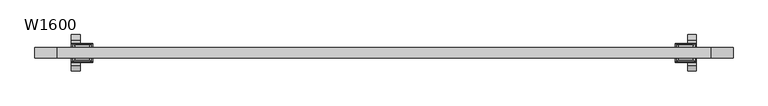
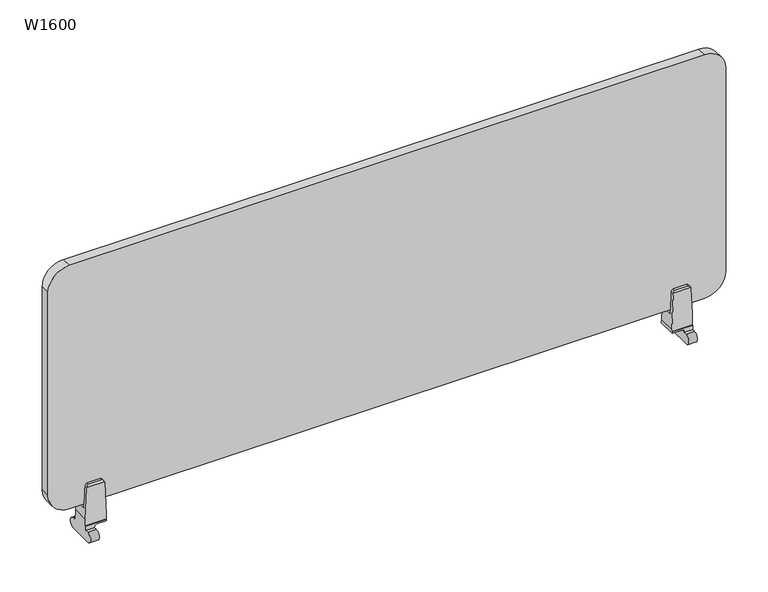
"""IFC4 building model written with IfcOpenShell, lengths in millimetres: furniture geometry, W1600."""

from ifc_helpers import new_model, si_unit, point, frame, frame_2d, origin, place, context, project, spatial, polyline, circle_curve, ellipse_curve, trimmed, segment, composite_curve, outline, extrude, source, transform, mapped, element, save
from ifc_brep_helpers import plane_surface, cylinder_surface, revolved_surface, advanced_brep


def w1600_2ce7a551(model_context):
    return source(origin(), model_context, "Body", "SolidModel", [
        advanced_brep(
        [(667.3062923, -20.12722, 508.6034914), (667.3062923, -20.12722, 513.0283084), (667.3062923, 20.12722, 513.0283084), (667.3062923, 20.12722, 508.6034914), (667.3062923, 21.734059, 508.6034914), (667.3062923, 21.734059, 505.317569), (667.3062923, -21.734059, 505.317569), (667.3062923, -21.734059, 508.6034914), (715.6062923, 20.12722, 508.6034914), (715.6062923, 20.12722, 537.7072826), (715.6062923, -20.12722, 537.7072826), (715.6062923, -20.12722, 508.6034914), (715.6062923, -21.734059, 508.6034914), (715.6062923, -21.734059, 497.7771987), (715.6062923, -29.3283848, 497.7771987), (715.6062923, -29.3283848, 473.429), (715.6062923, 29.3283848, 473.429), (715.6062923, 29.3283848, 497.7771987), (715.6062923, 21.734059, 497.7771987), (715.6062923, 21.734059, 508.6034914), (675.7948185, -17.493294, 607.4860165), (671.4549117, -20.12722, 602.923923), (712.3907552, -20.12722, 602.923923), (708.0534919, -17.493294, 607.4860165), (712.8620616, -20.12722, 600.5607025), (670.9814467, -20.12722, 600.5424845), (689.9626674, -21.734059, 505.317569), (695.9000284, -21.734059, 499.2756665), (695.9000284, -21.734059, 497.7771987), (695.9000284, -29.3283848, 497.7771987), (695.9000284, -29.3283848, 473.429), (695.9000284, 29.3283848, 473.429), (695.9000284, 29.3283848, 497.7771987), (695.9000284, 21.734059, 497.7771987), (695.9000284, 21.734059, 499.2756665), (689.9626674, 21.734059, 505.317569), (670.9814467, 20.12722, 600.5424845), (671.4549117, 20.12722, 602.923923), (712.3907552, 20.12722, 602.923923), (712.8620616, 20.12722, 600.5607025), (675.7948185, 17.493294, 607.4860165), (708.0534919, 17.493294, 607.4860165), (675.7948185, 11.6621458, 607.4860165), (708.0534919, 11.6621458, 607.4860165), (670.9814467, 11.6621458, 600.5424845), (668.7533424, 11.6621458, 547.4860165), (715.1793449, 11.6621458, 547.4860165), (712.8620616, 11.6621458, 600.5607025), (668.7533424, -11.6621458, 547.4860165), (715.1793449, -11.6621458, 547.4860165), (670.9814467, -11.6621458, 600.5424845), (675.7948185, -11.6621458, 607.4860165), (708.0534919, -11.6621458, 607.4860165), (712.8620616, -11.6621458, 600.5607025)],
        [
            (0, 1),
            (1, 2),
            (2, 3),
            (3, 4),
            (4, 5),
            (5, 6),
            (6, 7),
            (7, 0),
            (8, 9),
            (9, 10),
            (10, 11),
            (11, 12),
            (12, 13),
            (13, 14),
            (14, 15, circle_curve(frame((715.6062923, -29.3283848, 485.6030993), z_axis=(1.0, 0.0, 0.0), x_axis=(0.0, 1.0, 0.0)), 12.1740993)),
            (15, 16),
            (16, 17, circle_curve(frame((715.6062923, 29.3283848, 485.6030993), z_axis=(1.0, 0.0, 0.0), x_axis=(0.0, 1.0, 0.0)), 12.1740993)),
            (17, 18),
            (18, 19),
            (19, 8),
            (20, 21, ellipse_curve(frame((678.8744898, -21.6935173, 600.2110165), z_axis=(0.0, -0.8660254037844372, 0.5000000000000028), x_axis=(0.0, 0.5000000000000024, 0.8660254037844373)), 9.1221343, 7.9)),
            (21, 22),
            (22, 23, ellipse_curve(frame((704.9749018, -21.6904421, 600.2163428), z_axis=(0.0, -0.8660254037844372, 0.5000000000000028), x_axis=(0.0, 0.5000000000000024, 0.8660254037844373)), 9.115984, 7.8946737)),
            (23, 20),
            (10, 24),
            (24, 22, circle_curve(frame((704.9749018, -20.12722, 600.2163428), z_axis=(0.0, -1.0, 0.0), x_axis=(1.0, 0.0, 0.0)), 7.8946737)),
            (21, 25, circle_curve(frame((678.8744898, -20.12722, 600.2110165), z_axis=(0.0, -1.0, 0.0), x_axis=(1.0, 0.0, 0.0)), 7.9)),
            (25, 1),
            (0, 11),
            (7, 12),
            (6, 26),
            (26, 27, circle_curve(frame((689.8572056, -21.734059, 499.2756665), z_axis=(0.0, 1.0, 0.0), x_axis=(1.0, 0.0, 0.0)), 6.0428228)),
            (27, 28),
            (28, 13),
            (28, 29),
            (29, 14),
            (29, 30, circle_curve(frame((695.9000284, -29.3283848, 485.6030993), z_axis=(1.0, 0.0, 0.0), x_axis=(0.0, 1.0, 0.0)), 12.1740993)),
            (30, 15),
            (30, 31),
            (31, 16),
            (31, 32, circle_curve(frame((695.9000284, 29.3283848, 485.6030993), z_axis=(1.0, 0.0, 0.0), x_axis=(0.0, 1.0, 0.0)), 12.1740993)),
            (32, 17),
            (32, 33),
            (33, 18),
            (33, 34),
            (34, 35, circle_curve(frame((689.8572056, 21.734059, 499.2756665), z_axis=(0.0, -1.0, 0.0), x_axis=(1.0, 0.0, 0.0)), 6.0428228)),
            (35, 5),
            (4, 19),
            (3, 8),
            (2, 36),
            (36, 37, circle_curve(frame((678.8744898, 20.12722, 600.2110165), z_axis=(0.0, 1.0, 0.0), x_axis=(1.0, 0.0, 0.0)), 7.9)),
            (37, 38),
            (38, 39, circle_curve(frame((704.9749018, 20.12722, 600.2163428), z_axis=(0.0, 1.0, 0.0), x_axis=(1.0, 0.0, 0.0)), 7.8946737)),
            (39, 9),
            (37, 40, ellipse_curve(frame((678.8744898, 21.6935173, 600.2110165), z_axis=(0.0, 0.8660254037844385, 0.5000000000000006), x_axis=(0.0, 0.5000000000000001, -0.8660254037844385)), 9.1221343, 7.9)),
            (40, 41),
            (41, 38, ellipse_curve(frame((704.9749018, 21.6904421, 600.2163428), z_axis=(0.0, 0.8660254037844385, 0.5000000000000006), x_axis=(0.0, 0.5000000000000001, -0.8660254037844385)), 9.115984, 7.8946737)),
            (40, 42),
            (42, 43),
            (43, 41),
            (42, 44, circle_curve(frame((678.8744898, 11.6621458, 600.2110165), z_axis=(0.0, -1.0, 0.0), x_axis=(1.0, 0.0, 0.0)), 7.9)),
            (44, 45),
            (45, 46),
            (46, 47),
            (47, 43, circle_curve(frame((704.9749018, 11.6621458, 600.2163428), z_axis=(0.0, -1.0, 0.0), x_axis=(1.0, 0.0, 0.0)), 7.8946737)),
            (45, 48),
            (48, 49),
            (49, 46),
            (48, 50),
            (50, 51, circle_curve(frame((678.8744898, -11.6621458, 600.2110165), z_axis=(0.0, 1.0, 0.0), x_axis=(1.0, 0.0, 0.0)), 7.9)),
            (51, 52),
            (52, 53, circle_curve(frame((704.9749018, -11.6621458, 600.2163428), z_axis=(0.0, 1.0, 0.0), x_axis=(1.0, 0.0, 0.0)), 7.8946737)),
            (53, 49),
            (23, 52),
            (51, 20),
            (34, 27),
            (26, 35),
            (25, 50),
            (44, 36),
            (47, 39),
            (24, 53),
        ],
        [
            plane_surface(frame((667.3062923, -17.493294, 607.4860165), z_axis=(-1.0000000000000002, 0.0, 0.0), x_axis=(0.0, -0.5000000000000028, -0.8660254037844372))),
            plane_surface(frame((715.6062923, -17.493294, 607.4860165), z_axis=(1.0000000000000002, 0.0, 0.0), x_axis=(0.0, 0.5000000000000028, 0.8660254037844372))),
            plane_surface(frame((667.3062923, -17.493294, 607.4860165), z_axis=(0.0, -0.8660254037844372, 0.5000000000000028), x_axis=(1.0, 0.0, 0.0))),
            plane_surface(frame((667.3062923, -20.12722, 602.923923), z_axis=(0.0, -1.0, 0.0), x_axis=(1.0, 0.0, 0.0))),
            plane_surface(frame((667.3062923, -20.12722, 508.6034914), z_axis=(0.0, 0.0, 1.0), x_axis=(1.0, 0.0, 0.0))),
            plane_surface(frame((667.3062923, -21.734059, 508.6034914), z_axis=(0.0, -1.0, 0.0), x_axis=(1.0, 0.0, 0.0))),
            plane_surface(frame((667.3062923, -21.734059, 497.7771987), z_axis=(0.0, 0.0, 1.0), x_axis=(1.0, 0.0, 0.0))),
            cylinder_surface(frame((715.6062923, -29.3283848, 485.6030993), z_axis=(-1.0, 0.0, 0.0), x_axis=(0.0, 1.0, 0.0)), 12.1740993),
            plane_surface(frame((667.3062923, -29.3283848, 473.429), z_axis=(0.0, 0.0, -1.0), x_axis=(1.0, 0.0, 0.0))),
            cylinder_surface(frame((715.6062923, 29.3283848, 485.6030993), z_axis=(-1.0, 0.0, 0.0), x_axis=(0.0, 1.0, 0.0)), 12.1740993),
            plane_surface(frame((667.3062923, 29.3283848, 497.7771987), z_axis=(0.0, 0.0, 1.0), x_axis=(1.0, 0.0, 0.0))),
            plane_surface(frame((667.3062923, 21.734059, 497.7771987), z_axis=(0.0, 1.0, 0.0), x_axis=(1.0, 0.0, 0.0))),
            plane_surface(frame((667.3062923, 21.734059, 508.6034914), z_axis=(0.0, 0.0, 1.0), x_axis=(1.0, 0.0, 0.0))),
            plane_surface(frame((667.3062923, 20.12722, 508.6034914), z_axis=(0.0, 1.0, 0.0), x_axis=(1.0, 0.0, 0.0))),
            plane_surface(frame((667.3062923, 20.12722, 602.923923), z_axis=(0.0, 0.8660254037844385, 0.5000000000000006), x_axis=(1.0, 0.0, 0.0))),
            plane_surface(frame((667.3062923, 17.493294, 607.4860165), z_axis=(0.0, 0.0, 1.0), x_axis=(1.0, 0.0, 0.0))),
            plane_surface(frame((667.3062923, 11.6621458, 607.4860165), z_axis=(0.0, -1.0, 0.0), x_axis=(1.0, 0.0, 0.0))),
            plane_surface(frame((667.3062923, 11.6621458, 547.4860165), z_axis=(0.0, 0.0, 1.0), x_axis=(1.0, 0.0, 0.0))),
            plane_surface(frame((667.3062923, -11.6621458, 547.4860165), z_axis=(0.0, 1.0, 0.0), x_axis=(1.0, 0.0, 0.0))),
            plane_surface(frame((667.3062923, -11.6621458, 607.4860165), z_axis=(0.0, 0.0, 1.0), x_axis=(1.0, 0.0, 0.0))),
            revolved_surface(polyline([(695.9000284, -21.734058999999988, 499.2756665), (695.9000284, 21.734059000000002, 499.2756665)]), (689.8572056, 113.2680769, 499.2756665), (0.0, -1.0, 0.0)),
            plane_surface(frame((666.9824801, -250.0, 505.317569), z_axis=(0.0, 0.0, -1.0), x_axis=(0.0, 1.0, 0.0))),
            plane_surface(frame((670.9814467, -250.0, 600.5424845), z_axis=(-0.9991193762450609, 0.0, 0.041957979118166115), x_axis=(0.0, 1.0, 0.0))),
            cylinder_surface(frame((678.8744898, 113.2680769, 600.2110165), z_axis=(0.0, 1.0, 0.0), x_axis=(1.0, 0.0, 0.0)), 7.9),
            cylinder_surface(frame((704.9749018, 113.2680769, 600.2163428), z_axis=(0.0, 1.0, 0.0), x_axis=(1.0, 0.0, 0.0)), 7.8946737),
            plane_surface(frame((718.5147114, -250.0, 471.0933202), z_axis=(0.9990482276909858, 0.0, 0.04361924744307622), x_axis=(0.0, 1.0, 0.0))),
            plane_surface(frame((695.9000284, -250.0, 499.2756665), z_axis=(-1.0, 0.0, 0.0), x_axis=(0.0, 1.0, 0.0))),
        ],
        [
            (0, [[1, 2, 3, 4, 5, 6, 7, 8]]),
            (1, [[9, 10, 11, 12, 13, 14, 15, 16, 17, 18, 19, 20]]),
            (2, [[21, 22, 23, 24]]),
            (3, [[-11, 25, 26, -22, 27, 28, -1, 29]]),
            (4, [[30, -12, -29, -8]]),
            (5, [[-30, -7, 31, 32, 33, 34, -13]]),
            (6, [[-34, 35, 36, -14]]),
            (7, [[-36, 37, 38, -15]]),
            (8, [[-38, 39, 40, -16]]),
            (9, [[-40, 41, 42, -17]]),
            (10, [[-42, 43, 44, -18]]),
            (11, [[-44, 45, 46, 47, -5, 48, -19]]),
            (12, [[49, -20, -48, -4]]),
            (13, [[-3, 50, 51, 52, 53, 54, -9, -49]]),
            (14, [[55, 56, 57, -52]]),
            (15, [[58, 59, 60, -56]]),
            (16, [[61, 62, 63, 64, 65, -59]]),
            (17, [[66, 67, 68, -63]]),
            (18, [[69, 70, 71, 72, 73, -67]]),
            (19, [[74, -71, 75, -24]]),
            (20, [[-46, 76, -32, 77]]),
            (21, [[-31, -6, -47, -77]]),
            (22, [[-50, -2, -28, 78, -69, -66, -62, 79]]),
            (23, [[-27, -21, -75, -70, -78]]),
            (23, [[-61, -58, -55, -51, -79]]),
            (24, [[-53, -57, -60, -65, 80]]),
            (24, [[-72, -74, -23, -26, 81]]),
            (25, [[-64, -68, -73, -81, -25, -10, -54, -80]]),
            (26, [[-45, -43, -41, -39, -37, -35, -33, -76]]),
        ],
    ),
        advanced_brep(
        [(-716.2164625, -20.12722, 508.6034914), (-716.2164625, -20.12722, 523.7321492), (-716.2164625, 20.12722, 523.7321492), (-716.2164625, 20.12722, 508.6034914), (-716.2164625, 21.734059, 508.6034914), (-716.2164625, 21.734059, 497.7771987), (-716.2164625, 29.3283848, 497.7771987), (-716.2164625, 29.3283848, 473.429), (-716.2164625, -29.3283848, 473.429), (-716.2164625, -29.3283848, 497.7771987), (-716.2164625, -21.734059, 497.7771987), (-716.2164625, -21.734059, 508.6034914), (-667.6238597, 20.12722, 508.6034914), (-667.6238597, 20.12722, 520.5902324), (-667.6238597, -20.12722, 520.5902324), (-667.6238597, -20.12722, 508.6034914), (-667.6238597, -21.734059, 508.6034914), (-667.6238597, -21.734059, 505.317569), (-667.6238597, 21.734059, 505.317569), (-667.6238597, 21.734059, 508.6034914), (-708.0534965, -17.493294, 607.4860165), (-712.3907599, -20.12722, 602.923923), (-671.4549164, -20.12722, 602.923923), (-675.7948232, -17.493294, 607.4860165), (-670.9814514, -20.12722, 600.5424845), (-712.8620662, -20.12722, 600.5607025), (-695.9000331, -21.734059, 497.7771987), (-695.9000331, -21.734059, 499.2756665), (-689.9626721, -21.734059, 505.317569), (-695.9000331, -29.3283848, 497.7771987), (-695.9000331, -29.3283848, 473.429), (-695.9000331, 29.3283848, 473.429), (-695.9000331, 29.3283848, 497.7771987), (-695.9000331, 21.734059, 497.7771987), (-689.9626721, 21.734059, 505.317569), (-695.9000331, 21.734059, 499.2756665), (-712.8620662, 20.12722, 600.5607025), (-712.3907599, 20.12722, 602.923923), (-671.4549164, 20.12722, 602.923923), (-670.9814514, 20.12722, 600.5424845), (-708.0534965, 17.493294, 607.4860165), (-675.7948232, 17.493294, 607.4860165), (-708.0534965, 11.6621458, 607.4860165), (-675.7948232, 11.6621458, 607.4860165), (-712.8620662, 11.6621458, 600.5607025), (-715.1793496, 11.6621458, 547.4860165), (-668.7533471, 11.6621458, 547.4860165), (-670.9814514, 11.6621458, 600.5424845), (-715.1793496, -11.6621458, 547.4860165), (-668.7533471, -11.6621458, 547.4860165), (-712.8620662, -11.6621458, 600.5607025), (-708.0534965, -11.6621458, 607.4860165), (-675.7948232, -11.6621458, 607.4860165), (-670.9814514, -11.6621458, 600.5424845)],
        [
            (0, 1),
            (1, 2),
            (2, 3),
            (3, 4),
            (4, 5),
            (5, 6),
            (6, 7, circle_curve(frame((-716.2164625, 29.3283848, 485.6030993), z_axis=(-1.0, 0.0, 0.0), x_axis=(0.0, 1.0, 0.0)), 12.1740993)),
            (7, 8),
            (8, 9, circle_curve(frame((-716.2164625, -29.3283848, 485.6030993), z_axis=(-1.0, 0.0, 0.0), x_axis=(0.0, 1.0, 0.0)), 12.1740993)),
            (9, 10),
            (10, 11),
            (11, 0),
            (12, 13),
            (13, 14),
            (14, 15),
            (15, 16),
            (16, 17),
            (17, 18),
            (18, 19),
            (19, 12),
            (20, 21, ellipse_curve(frame((-704.9749064, -21.6904421, 600.2163428), z_axis=(0.0, -0.8660254037844372, 0.5000000000000028), x_axis=(0.0, 0.5000000000000024, 0.8660254037844373)), 9.115984, 7.8946737)),
            (21, 22),
            (22, 23, ellipse_curve(frame((-678.8744945, -21.6935173, 600.2110165), z_axis=(0.0, -0.8660254037844372, 0.5000000000000028), x_axis=(0.0, 0.5000000000000024, 0.8660254037844373)), 9.1221343, 7.9)),
            (23, 20),
            (14, 24),
            (24, 22, circle_curve(frame((-678.8744945, -20.12722, 600.2110165), z_axis=(0.0, -1.0, 0.0), x_axis=(-1.0, 0.0, 0.0)), 7.9)),
            (21, 25, circle_curve(frame((-704.9749064, -20.12722, 600.2163428), z_axis=(0.0, -1.0, 0.0), x_axis=(-1.0, 0.0, 0.0)), 7.8946737)),
            (25, 1),
            (0, 15),
            (11, 16),
            (10, 26),
            (26, 27),
            (27, 28, circle_curve(frame((-689.8572103, -21.734059, 499.2756665), z_axis=(0.0, 1.0, 0.0), x_axis=(-1.0, 0.0, 0.0)), 6.0428228)),
            (28, 17),
            (9, 29),
            (29, 26),
            (8, 30),
            (30, 29, circle_curve(frame((-695.9000331, -29.3283848, 485.6030993), z_axis=(-1.0, 0.0, 0.0), x_axis=(0.0, 1.0, 0.0)), 12.1740993)),
            (7, 31),
            (31, 30),
            (6, 32),
            (32, 31, circle_curve(frame((-695.9000331, 29.3283848, 485.6030993), z_axis=(-1.0, 0.0, 0.0), x_axis=(0.0, 1.0, 0.0)), 12.1740993)),
            (5, 33),
            (33, 32),
            (4, 19),
            (18, 34),
            (34, 35, circle_curve(frame((-689.8572103, 21.734059, 499.2756665), z_axis=(0.0, -1.0, 0.0), x_axis=(-1.0, 0.0, 0.0)), 6.0428228)),
            (35, 33),
            (3, 12),
            (2, 36),
            (36, 37, circle_curve(frame((-704.9749064, 20.12722, 600.2163428), z_axis=(0.0, 1.0, 0.0), x_axis=(-1.0, 0.0, 0.0)), 7.8946737)),
            (37, 38),
            (38, 39, circle_curve(frame((-678.8744945, 20.12722, 600.2110165), z_axis=(0.0, 1.0, 0.0), x_axis=(-1.0, 0.0, 0.0)), 7.9)),
            (39, 13),
            (37, 40, ellipse_curve(frame((-704.9749064, 21.6904421, 600.2163428), z_axis=(0.0, 0.8660254037844385, 0.5000000000000006), x_axis=(0.0, 0.5000000000000001, -0.8660254037844385)), 9.115984, 7.8946737)),
            (40, 41),
            (41, 38, ellipse_curve(frame((-678.8744945, 21.6935173, 600.2110165), z_axis=(0.0, 0.8660254037844385, 0.5000000000000006), x_axis=(0.0, 0.5000000000000001, -0.8660254037844385)), 9.1221343, 7.9)),
            (40, 42),
            (42, 43),
            (43, 41),
            (42, 44, circle_curve(frame((-704.9749064, 11.6621458, 600.2163428), z_axis=(0.0, -1.0, 0.0), x_axis=(-1.0, 0.0, 0.0)), 7.8946737)),
            (44, 45),
            (45, 46),
            (46, 47),
            (47, 43, circle_curve(frame((-678.8744945, 11.6621458, 600.2110165), z_axis=(0.0, -1.0, 0.0), x_axis=(-1.0, 0.0, 0.0)), 7.9)),
            (45, 48),
            (48, 49),
            (49, 46),
            (48, 50),
            (50, 51, circle_curve(frame((-704.9749064, -11.6621458, 600.2163428), z_axis=(0.0, 1.0, 0.0), x_axis=(-1.0, 0.0, 0.0)), 7.8946737)),
            (51, 52),
            (52, 53, circle_curve(frame((-678.8744945, -11.6621458, 600.2110165), z_axis=(0.0, 1.0, 0.0), x_axis=(-1.0, 0.0, 0.0)), 7.9)),
            (53, 49),
            (23, 52),
            (51, 20),
            (34, 28),
            (27, 35),
            (53, 24),
            (39, 47),
            (50, 25),
            (36, 44),
        ],
        [
            plane_surface(frame((-716.2164625, -17.493294, 607.4860165), z_axis=(-1.0000000000000002, 0.0, 0.0), x_axis=(0.0, -0.5000000000000028, -0.8660254037844372))),
            plane_surface(frame((-667.6238597, -17.493294, 607.4860165), z_axis=(1.0000000000000002, 0.0, 0.0), x_axis=(0.0, 0.5000000000000028, 0.8660254037844372))),
            plane_surface(frame((-716.2164625, -17.493294, 607.4860165), z_axis=(0.0, -0.8660254037844372, 0.5000000000000028), x_axis=(1.0, 0.0, 0.0))),
            plane_surface(frame((-716.2164625, -20.12722, 602.923923), z_axis=(0.0, -1.0, 0.0), x_axis=(1.0, 0.0, 0.0))),
            plane_surface(frame((-716.2164625, -20.12722, 508.6034914), z_axis=(0.0, 0.0, 1.0), x_axis=(1.0, 0.0, 0.0))),
            plane_surface(frame((-716.2164625, -21.734059, 508.6034914), z_axis=(0.0, -1.0, 0.0), x_axis=(1.0, 0.0, 0.0))),
            plane_surface(frame((-716.2164625, -21.734059, 497.7771987), z_axis=(0.0, 0.0, 1.0), x_axis=(1.0, 0.0, 0.0))),
            cylinder_surface(frame((-667.6238597, -29.3283848, 485.6030993), z_axis=(-1.0, 0.0, 0.0), x_axis=(0.0, 1.0, 0.0)), 12.1740993),
            plane_surface(frame((-716.2164625, -29.3283848, 473.429), z_axis=(0.0, 0.0, -1.0), x_axis=(1.0, 0.0, 0.0))),
            cylinder_surface(frame((-667.6238597, 29.3283848, 485.6030993), z_axis=(-1.0, 0.0, 0.0), x_axis=(0.0, 1.0, 0.0)), 12.1740993),
            plane_surface(frame((-716.2164625, 29.3283848, 497.7771987), z_axis=(0.0, 0.0, 1.0), x_axis=(1.0, 0.0, 0.0))),
            plane_surface(frame((-716.2164625, 21.734059, 497.7771987), z_axis=(0.0, 1.0, 0.0), x_axis=(1.0, 0.0, 0.0))),
            plane_surface(frame((-716.2164625, 21.734059, 508.6034914), z_axis=(0.0, 0.0, 1.0), x_axis=(1.0, 0.0, 0.0))),
            plane_surface(frame((-716.2164625, 20.12722, 508.6034914), z_axis=(0.0, 1.0, 0.0), x_axis=(1.0, 0.0, 0.0))),
            plane_surface(frame((-716.2164625, 20.12722, 602.923923), z_axis=(0.0, 0.8660254037844385, 0.5000000000000006), x_axis=(1.0, 0.0, 0.0))),
            plane_surface(frame((-716.2164625, 17.493294, 607.4860165), z_axis=(0.0, 0.0, 1.0), x_axis=(1.0, 0.0, 0.0))),
            plane_surface(frame((-716.2164625, 11.6621458, 607.4860165), z_axis=(0.0, -1.0, 0.0), x_axis=(1.0, 0.0, 0.0))),
            plane_surface(frame((-716.2164625, 11.6621458, 547.4860165), z_axis=(0.0, 0.0, 1.0), x_axis=(1.0, 0.0, 0.0))),
            plane_surface(frame((-716.2164625, -11.6621458, 547.4860165), z_axis=(0.0, 1.0, 0.0), x_axis=(1.0, 0.0, 0.0))),
            plane_surface(frame((-716.2164625, -11.6621458, 607.4860165), z_axis=(0.0, 0.0, 1.0), x_axis=(1.0, 0.0, 0.0))),
            revolved_surface(polyline([(-695.9000331, -21.734058999999988, 499.2756665), (-695.9000331, 21.734059000000002, 499.2756665)]), (-689.8572103, 113.2680769, 499.2756665), (0.0, -1.0, 0.0)),
            plane_surface(frame((-689.9626721, -250.0, 505.317569), z_axis=(0.0, 0.0, -1.0), x_axis=(0.0, 1.0, 0.0))),
            plane_surface(frame((-666.9824848, -250.0, 505.317569), z_axis=(0.9991193762450586, 0.0, 0.04195797911822109), x_axis=(0.0, 1.0, 0.0))),
            cylinder_surface(frame((-678.8744945, 113.2680769, 600.2110165), z_axis=(0.0, 1.0, 0.0), x_axis=(-1.0, 0.0, 0.0)), 7.9),
            cylinder_surface(frame((-704.9749064, 113.2680769, 600.2163428), z_axis=(0.0, 1.0, 0.0), x_axis=(-1.0, 0.0, 0.0)), 7.8946737),
            plane_surface(frame((-712.8620662, -250.0, 600.5607025), z_axis=(-0.9990482276909887, 0.0, 0.0436192474430105), x_axis=(0.0, 1.0, 0.0))),
            plane_surface(frame((-695.9000331, -250.0, 471.0933202), z_axis=(1.0, 0.0, 0.0), x_axis=(0.0, 1.0, 0.0))),
        ],
        [
            (0, [[1, 2, 3, 4, 5, 6, 7, 8, 9, 10, 11, 12]]),
            (1, [[13, 14, 15, 16, 17, 18, 19, 20]]),
            (2, [[21, 22, 23, 24]]),
            (3, [[-15, 25, 26, -22, 27, 28, -1, 29]]),
            (4, [[30, -16, -29, -12]]),
            (5, [[31, 32, 33, 34, -17, -30, -11]]),
            (6, [[35, 36, -31, -10]]),
            (7, [[37, 38, -35, -9]]),
            (8, [[39, 40, -37, -8]]),
            (9, [[41, 42, -39, -7]]),
            (10, [[43, 44, -41, -6]]),
            (11, [[45, -19, 46, 47, 48, -43, -5]]),
            (12, [[49, -20, -45, -4]]),
            (13, [[-3, 50, 51, 52, 53, 54, -13, -49]]),
            (14, [[55, 56, 57, -52]]),
            (15, [[58, 59, 60, -56]]),
            (16, [[61, 62, 63, 64, 65, -59]]),
            (17, [[66, 67, 68, -63]]),
            (18, [[69, 70, 71, 72, 73, -67]]),
            (19, [[74, -71, 75, -24]]),
            (20, [[-47, 76, -33, 77]]),
            (21, [[-46, -18, -34, -76]]),
            (22, [[-64, -68, -73, 78, -25, -14, -54, 79]]),
            (23, [[-53, -57, -60, -65, -79]]),
            (23, [[-72, -74, -23, -26, -78]]),
            (24, [[-27, -21, -75, -70, 80]]),
            (24, [[-61, -58, -55, -51, 81]]),
            (25, [[-50, -2, -28, -80, -69, -66, -62, -81]]),
            (26, [[-32, -36, -38, -40, -42, -44, -48, -77]]),
        ],
    ),
        extrude(outline(composite_curve([segment(polyline([(1165.0000005, 749.9999977), (1165.0000005, -750.0000023)]), True, "CONTINUOUS"), segment(trimmed(circle_curve(frame_2d((1115.0000005, -750.0000023)), 50.0), [point((1165.0000005, -750.0000023))], [point((1115.0000005, -800.0000023))], False, "CARTESIAN"), True, "CONTINUOUS"), segment(polyline([(1115.0000005, -800.0000023), (608.0000005, -800.0000023)]), True, "CONTINUOUS"), segment(trimmed(circle_curve(frame_2d((608.0000005, -750.0000023)), 50.0), [point((608.0000005, -800.0000023))], [point((558.0000005, -750.0000023))], False, "CARTESIAN"), True, "CONTINUOUS"), segment(polyline([(558.0000005, -750.0000023), (558.0000005, 749.9999977)]), True, "CONTINUOUS"), segment(trimmed(circle_curve(frame_2d((608.0000005, 749.9999977)), 50.0), [point((558.0000005, 749.9999977))], [point((608.0000005, 799.9999977))], False, "CARTESIAN"), True, "CONTINUOUS"), segment(polyline([(608.0000005, 799.9999977), (1115.0000005, 799.9999977)]), True, "CONTINUOUS"), segment(trimmed(circle_curve(frame_2d((1115.0000005, 749.9999977)), 50.0), [point((1115.0000005, 799.9999977))], [point((1165.0000005, 749.9999977))], False, "CARTESIAN"), True, "CONTINUOUS")], self_intersect=False)), frame((0.0, -11.9999997, 0.0), z_axis=(0.0, 1.0, 0.0), x_axis=(0.0, 0.0, 1.0)), (0.0, 0.0, 1.0), 23.9999995),
    ])


if __name__ == "__main__":
    model = new_model("IFC4")
    model_context = context("Model", 3, world=origin())
    ifc_project = project(units=[si_unit("LENGTHUNIT", "METRE", prefix="MILLI")], contexts=[model_context])
    site = spatial("IfcSite", under=ifc_project)
    building = spatial("IfcBuilding", under=site)
    placement = place(None, origin())
    w1600_shape = w1600_2ce7a551(model_context)
    element("IfcFurniture", 1, ObjectType="W1600", at=placement, inside=building, context=model_context, shape_type="MappedRepresentation", body=[
        mapped(w1600_shape, transform((0.0, 0.0, 0.0), x_axis=(1.0, 0.0, 0.0), y_axis=(0.0, 1.0, 0.0), z_axis=(0.0, 0.0, 1.0))),
    ])
    save(model, "model.ifc")
